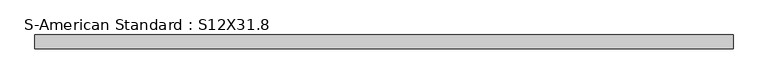
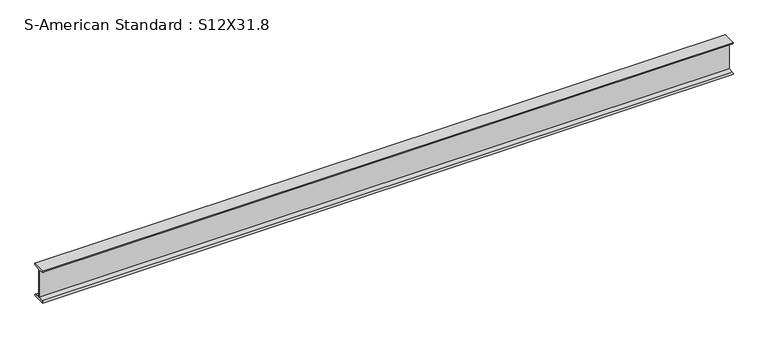
"""IFC4 building model written with IfcOpenShell, lengths in millimetres: beam geometry, S-American Standard : S12X31.8."""

from ifc_helpers import new_model, si_unit, point, frame, frame_2d, origin, place, context, project, spatial, polyline, circle_curve, trimmed, segment, composite_curve, outline, extrude, source, transform, mapped, element, save


def s_american_standard_s12x31_8_16b549d9(model_context):
    return source(origin(), model_context, "Body", "SweptSolid", [
        extrude(outline(composite_curve([segment(trimmed(circle_curve(frame_2d((49.7, 152.4)), 13.8), [point((63.5, 152.4))], [point((49.7, 138.6))], False, "CARTESIAN"), True, "CONTINUOUS"), segment(polyline([(49.7, 138.6), (4.45, 131.4331041), (4.45, -131.4331041), (49.7, -138.6)]), True, "CONTINUOUS"), segment(trimmed(circle_curve(frame_2d((49.7, -152.4)), 13.8), [point((49.7, -138.6))], [point((63.5, -152.4))], False, "CARTESIAN"), True, "CONTINUOUS"), segment(polyline([(63.5, -152.4), (-63.5, -152.4)]), True, "CONTINUOUS"), segment(trimmed(circle_curve(frame_2d((-49.7, -152.4)), 13.8), [point((-63.5, -152.4))], [point((-49.7, -138.6))], False, "CARTESIAN"), True, "CONTINUOUS"), segment(polyline([(-49.7, -138.6), (-4.45, -131.4331041), (-4.45, 131.4331041), (-49.7, 138.6)]), True, "CONTINUOUS"), segment(trimmed(circle_curve(frame_2d((-49.7, 152.4)), 13.8), [point((-49.7, 138.6))], [point((-63.5, 152.4))], False, "CARTESIAN"), True, "CONTINUOUS"), segment(polyline([(-63.5, 152.4), (63.5, 152.4)]), True, "CONTINUOUS")], self_intersect=False)), frame((-6583.5860072, 0.0, 0.0), z_axis=(1.0, 0.0, 0.0), x_axis=(0.0, 1.0, 0.0)), (0.0, 0.0, 1.0), 6296.0630664),
    ])


if __name__ == "__main__":
    model = new_model("IFC4")
    model_context = context("Model", 3, world=origin())
    ifc_project = project(units=[si_unit("LENGTHUNIT", "METRE", prefix="MILLI")], contexts=[model_context])
    site = spatial("IfcSite", under=ifc_project)
    building = spatial("IfcBuilding", under=site)
    placement = place(None, origin())
    s_american_standard_s12x31_8_shape = s_american_standard_s12x31_8_16b549d9(model_context)
    element("IfcBeam", 1, ObjectType="S-American Standard : S12X31.8", at=placement, inside=building, context=model_context, shape_type="MappedRepresentation", body=[
        mapped(s_american_standard_s12x31_8_shape, transform((0.0, 0.0, 0.0), x_axis=(1.0, 0.0, 0.0), y_axis=(0.0, 1.0, 0.0), z_axis=(0.0, 0.0, 1.0))),
    ])
    save(model, "model.ifc")
